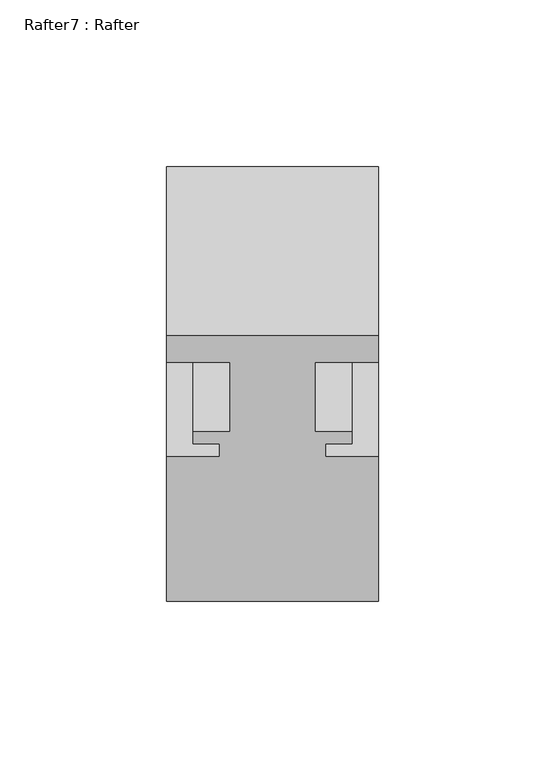
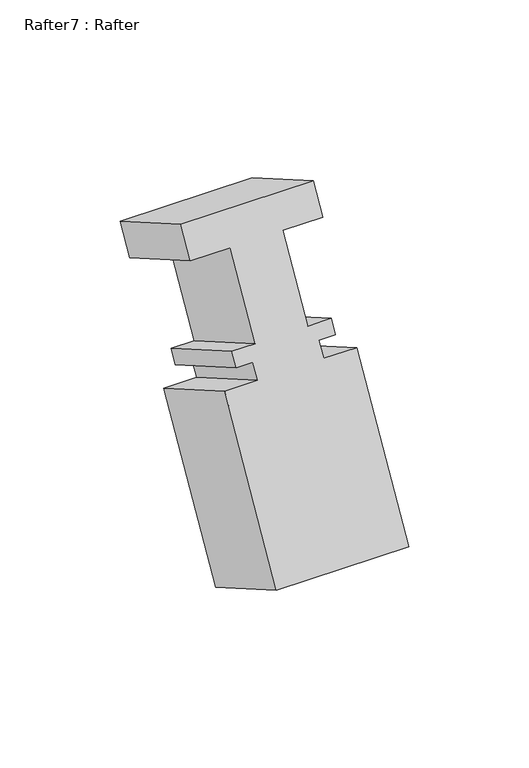
"""IFC4 building model written with IfcOpenShell, lengths in millimetres: proxy geometry, Rafter7 : Rafter."""

from ifc_helpers import new_model, si_unit, frame, origin, place, context, project, spatial, polyline, outline, extrude, source, transform, mapped, element, save


def rafter7_rafter_6f43ab27(model_context):
    return source(origin(), model_context, "Body", "SweptSolid", [
        extrude(outline(polyline([(63.5, 0.0), (63.5, -15.8691296), (44.45, -15.8691296), (44.45, -57.531), (55.5752, -57.531), (55.5752, -64.6938), (47.625, -64.6938), (47.625, -72.5932001), (63.5, -72.5932001), (63.5, -159.1310001), (0.0, -159.1310001), (0.0, -72.5932001), (15.875, -72.5932001), (15.875, -64.6938), (7.9248, -64.6938), (7.9248, -57.531), (19.05, -57.531), (19.05, -15.8902734), (0.0, -15.8902734), (0.0, 0.0), (63.5, 0.0)])), frame((11029.1526877, -20132.8183901, 1263.2536414), z_axis=(0.0, -0.8660254037844398, 0.499999999999998), x_axis=(1.0, 0.0, 0.0)), (0.0, 0.0, 1.0), 58.4547221),
    ])


if __name__ == "__main__":
    model = new_model("IFC4")
    model_context = context("Model", 3, world=origin())
    ifc_project = project(units=[si_unit("LENGTHUNIT", "METRE", prefix="MILLI")], contexts=[model_context])
    site = spatial("IfcSite", under=ifc_project)
    building = spatial("IfcBuilding", under=site)
    placement = place(None, origin())
    rafter7_rafter_shape = rafter7_rafter_6f43ab27(model_context)
    element("IfcBuildingElementProxy", 1, Name="Rafter7 : Rafter", ObjectType="Rafter7 : Rafter", at=placement, inside=building, context=model_context, shape_type="MappedRepresentation", body=[
        mapped(rafter7_rafter_shape, transform((0.0, 0.0, 0.0), x_axis=(1.0, 0.0, 0.0), y_axis=(0.0, 1.0, 0.0), z_axis=(0.0, 0.0, 1.0))),
    ])
    save(model, "model.ifc")
